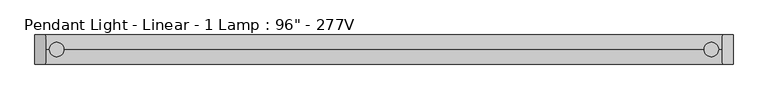
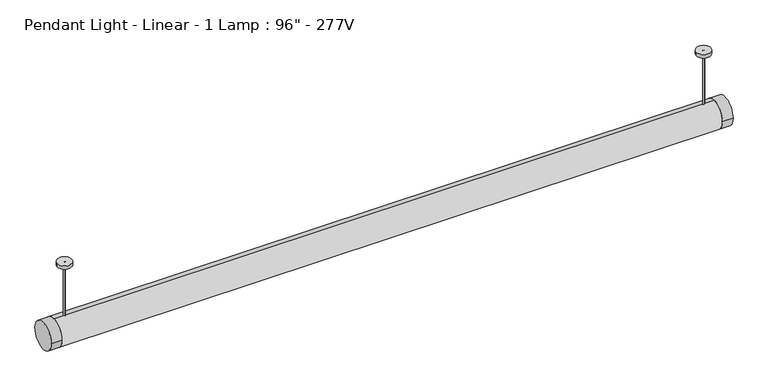
"""IFC4 building model written with IfcOpenShell, lengths in millimetres: light fixture geometry."""

from ifc_helpers import new_model, si_unit, point, frame, frame_2d, origin, place, context, project, spatial, polyline, circle_curve, trimmed, segment, composite_curve, outline, extrude, source, transform, mapped, element, save


def light_fixture_1794ef9b(model_context):
    return source(origin(), model_context, "Body", "SweptSolid", [
        extrude(outline(polyline([(1181.3084676, 25.4), (1181.3084676, -25.4), (-1181.1, -25.4), (-1181.1, 25.4), (1181.3084676, 25.4)])), frame((0.0, 0.0, 2146.3), z_axis=(0.0, 0.0, 1.0), x_axis=(1.0, 0.0, 0.0)), (0.0, 0.0, 1.0), 12.7),
        extrude(outline(composite_curve([segment(trimmed(circle_curve(frame_2d((0.0, 2184.4)), 50.8), [point((-50.8, 2184.4))], [point((50.8, 2184.4))], False, "CARTESIAN"), True, "CONTINUOUS"), segment(trimmed(circle_curve(frame_2d((0.0, 2184.4)), 50.8), [point((50.8, 2184.4))], [point((-50.8, 2184.4))], False, "CARTESIAN"), True, "CONTINUOUS")], self_intersect=False)), frame((1181.3084676, 0.0, 0.0), z_axis=(1.0, 0.0, 0.0), x_axis=(0.0, 1.0, 0.0)), (0.0, 0.0, 1.0), 37.8915324),
        extrude(outline(composite_curve([segment(trimmed(circle_curve(frame_2d((0.0, 2184.4)), 50.81227), [point((50.81227, 2184.4))], [point((-50.81227, 2184.4))], False, "CARTESIAN"), True, "CONTINUOUS"), segment(trimmed(circle_curve(frame_2d((0.0, 2184.4)), 50.81227), [point((-50.81227, 2184.4))], [point((50.81227, 2184.4))], False, "CARTESIAN"), True, "CONTINUOUS")], self_intersect=False)), frame((-1219.2, 0.0, 0.0), z_axis=(1.0, 0.0, 0.0), x_axis=(0.0, 1.0, 0.0)), (0.0, 0.0, 1.0), 38.1),
        extrude(outline(composite_curve([segment(trimmed(circle_curve(frame_2d((0.0, 2184.4)), 50.8), [point((-25.4, 2140.4059095))], [point((0.0, 2235.2))], False, "CARTESIAN"), True, "CONTINUOUS"), segment(trimmed(circle_curve(frame_2d((0.0, 2184.4)), 50.8), [point((0.0, 2235.2))], [point((25.4, 2140.4059095))], False, "CARTESIAN"), True, "CONTINUOUS"), segment(polyline([(25.4, 2140.4059095), (25.4, 2171.7), (-25.4, 2171.7), (-25.4, 2140.4059095)]), True, "CONTINUOUS")], self_intersect=False)), frame((-1181.1, 0.0, 0.0), z_axis=(1.0, 0.0, 0.0), x_axis=(0.0, 1.0, 0.0)), (0.0, 0.0, 1.0), 2362.4084676),
        extrude(outline(composite_curve([segment(trimmed(circle_curve(frame_2d((-1143.0883785, 0.0)), 25.4), [point((-1168.4883785, 0.0))], [point((-1117.6883785, 0.0))], False, "CARTESIAN"), True, "CONTINUOUS"), segment(trimmed(circle_curve(frame_2d((-1143.0883785, 0.0)), 25.4), [point((-1117.6883785, 0.0))], [point((-1168.4883785, 0.0))], False, "CARTESIAN"), True, "CONTINUOUS")], self_intersect=False)), frame((0.0, 0.0, 2425.7), z_axis=(0.0, 0.0, 1.0), x_axis=(1.0, 0.0, 0.0)), (0.0, 0.0, 1.0), 12.7),
        extrude(outline(composite_curve([segment(trimmed(circle_curve(frame_2d((1143.0, 0.0)), 25.4), [point((1117.6, 0.0))], [point((1168.4, 0.0))], False, "CARTESIAN"), True, "CONTINUOUS"), segment(trimmed(circle_curve(frame_2d((1143.0, 0.0)), 25.4), [point((1168.4, 0.0))], [point((1117.6, 0.0))], False, "CARTESIAN"), True, "CONTINUOUS")], self_intersect=False)), frame((0.0, 0.0, 2425.7), z_axis=(0.0, 0.0, 1.0), x_axis=(1.0, 0.0, 0.0)), (0.0, 0.0, 1.0), 12.7),
        extrude(outline(composite_curve([segment(trimmed(circle_curve(frame_2d((-1143.0, 0.0)), 3.175), [point((-1143.0, 3.175))], [point((-1143.0, -3.175))], False, "CARTESIAN"), True, "CONTINUOUS"), segment(trimmed(circle_curve(frame_2d((-1143.0, 0.0)), 3.175), [point((-1143.0, -3.175))], [point((-1143.0, 3.175))], False, "CARTESIAN"), True, "CONTINUOUS")], self_intersect=False)), frame((0.0, 0.0, 2222.5), z_axis=(0.0, 0.0, 1.0), x_axis=(1.0, 0.0, 0.0)), (0.0, 0.0, 1.0), 215.9),
        extrude(outline(composite_curve([segment(trimmed(circle_curve(frame_2d((1143.0, 0.0)), 3.175), [point((1143.0, 3.175))], [point((1143.0, -3.175))], False, "CARTESIAN"), True, "CONTINUOUS"), segment(trimmed(circle_curve(frame_2d((1143.0, 0.0)), 3.175), [point((1143.0, -3.175))], [point((1143.0, 3.175))], False, "CARTESIAN"), True, "CONTINUOUS")], self_intersect=False)), frame((0.0, 0.0, 2222.5), z_axis=(0.0, 0.0, 1.0), x_axis=(1.0, 0.0, 0.0)), (0.0, 0.0, 1.0), 215.9),
    ])


if __name__ == "__main__":
    model = new_model("IFC4")
    model_context = context("Model", 3, world=origin())
    ifc_project = project(units=[si_unit("LENGTHUNIT", "METRE", prefix="MILLI")], contexts=[model_context])
    site = spatial("IfcSite", under=ifc_project)
    building = spatial("IfcBuilding", under=site)
    placement = place(None, origin())
    light_fixture_shape = light_fixture_1794ef9b(model_context)
    element("IfcLightFixture", 1, ObjectType="Pendant Light - Linear - 1 Lamp : 96\" - 277V", at=placement, inside=building, context=model_context, shape_type="MappedRepresentation", body=[
        mapped(light_fixture_shape, transform((0.0, 0.0, 0.0), x_axis=(1.0, 0.0, 0.0), y_axis=(0.0, 1.0, 0.0), z_axis=(0.0, 0.0, 1.0))),
    ])
    save(model, "model.ifc")
